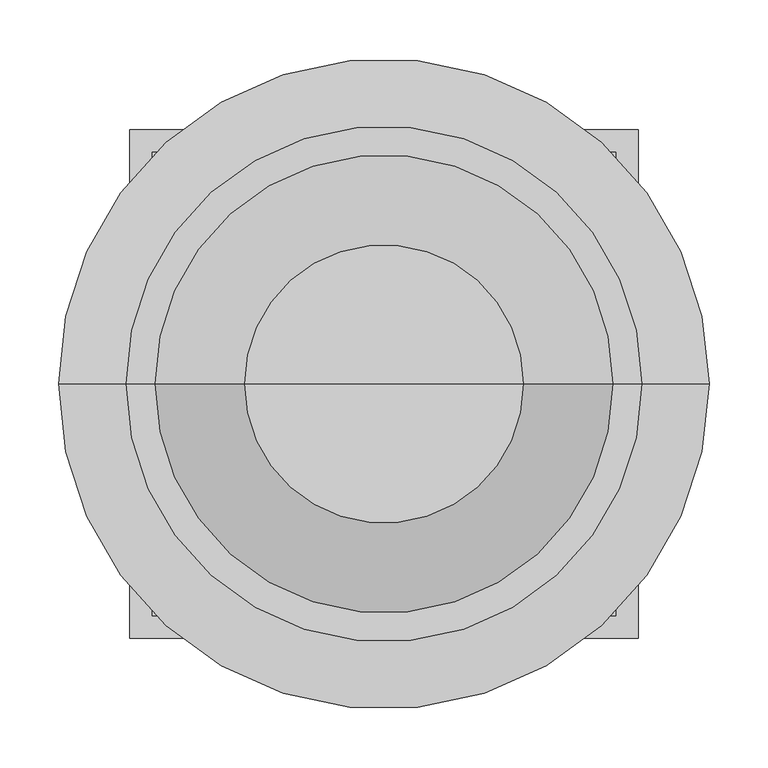
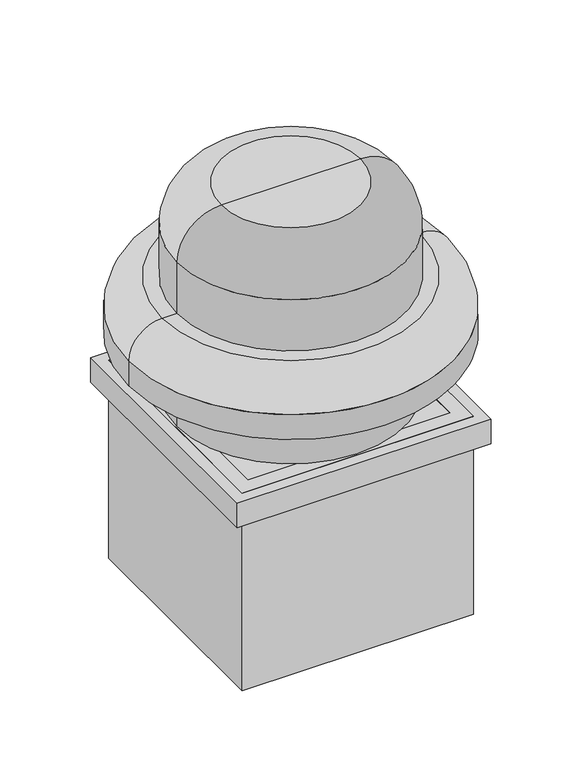
"""IFC4 building model written with IfcOpenShell, lengths in millimetres: proxy geometry."""

from ifc_helpers import new_model, si_unit, point, frame, origin, place, context, project, spatial, polyline, circle_curve, ellipse_curve, trimmed, outline, extrude, faceted_brep, source, transform, mapped, element, save
from ifc_brep_helpers import plane_surface, cylinder_surface, revolved_surface, advanced_brep


def mechanical_equipment_26cb2caf(model_context):
    return source(origin(), model_context, "Body", "SolidModel", [
        extrude(outline(polyline([(-82.6124116, -196.85), (-476.3124116, -196.85), (-476.3124116, 196.85), (-82.6124116, 196.85), (-82.6124116, -196.85)]), holes=[polyline([(-450.9124116, -171.45), (-108.0124116, -171.45), (-108.0124116, 171.45), (-450.9124116, 171.45), (-450.9124116, -171.45)])]), frame((0.0, 0.0, 3.175), z_axis=(0.0, 0.0, 1.0), x_axis=(1.0, 0.0, 0.0)), (0.0, 0.0, 1.0), 355.6),
        advanced_brep(
        [(-279.4624116, 0.0, 561.975), (-60.4667866, 0.0, 561.975), (-498.4580366, 0.0, 561.975), (-555.6874116, 0.0, 460.375), (-3.2374116, 0.0, 460.375), (-279.4624116, 0.0, 460.375), (-555.6874116, 0.0, 504.7456933), (-3.2374116, 0.0, 504.745625)],
        [
            (0, 1),
            (1, 2, circle_curve(frame((-279.4624116, 0.0, 561.975), z_axis=(0.0, 0.0, 1.0), x_axis=(1.0, 0.0, 0.0)), 218.995625)),
            (2, 0),
            (2, 1, circle_curve(frame((-279.4624116, 0.0, 561.975), z_axis=(0.0, 0.0, 1.0), x_axis=(1.0, 0.0, 0.0)), 218.995625)),
            (3, 4, circle_curve(frame((-279.4624116, 0.0, 460.375), z_axis=(0.0, 0.0, -1.0), x_axis=(1.0, 0.0, 0.0)), 276.225)),
            (4, 5),
            (5, 3),
            (4, 3, circle_curve(frame((-279.4624116, 0.0, 460.375), z_axis=(0.0, 0.0, -1.0), x_axis=(1.0, 0.0, 0.0)), 276.225)),
            (3, 6),
            (6, 7, circle_curve(frame((-279.4624116, 0.0, 504.745625), z_axis=(0.0, 0.0, -1.0), x_axis=(1.0, 0.0, 0.0)), 276.225)),
            (7, 4),
            (7, 6, circle_curve(frame((-279.4624116, 0.0, 504.745625), z_axis=(0.0, 0.0, -1.0), x_axis=(1.0, 0.0, 0.0)), 276.225)),
            (6, 2, circle_curve(frame((-498.4580366, 0.0, 504.745625), z_axis=(0.0, 1.0, 0.0), x_axis=(-1.0, 0.0, 0.0)), 57.229375)),
            (1, 7, circle_curve(frame((-60.4667866, 0.0, 504.745625), z_axis=(0.0, 1.0, 0.0), x_axis=(1.0, 0.0, 0.0)), 57.229375)),
        ],
        [
            plane_surface(frame((-279.4624116, 0.0, 561.975), z_axis=(0.0, 0.0, 1.0), x_axis=(1.0, 0.0, 0.0))),
            plane_surface(frame((-279.4624116, 0.0, 460.375), z_axis=(0.0, 0.0, -1.0), x_axis=(1.0, 0.0, 0.0))),
            cylinder_surface(frame((-279.4624116, 0.0, 460.3422007), z_axis=(0.0, 0.0, 1.0), x_axis=(1.0, 0.0, 0.0)), 276.225),
            revolved_surface(trimmed(ellipse_curve(frame((-60.4667866, 0.0, 504.745625), z_axis=(0.0, -1.0, 0.0), x_axis=(1.0, 0.0, 0.0)), 57.229375, 57.229375), [point((-3.2374116, 0.0, 504.745625))], [point((-60.4667866, 0.0, 561.975))], True, "CARTESIAN"), (-279.4624116, 0.0, 541.6638531), (0.0, 0.0, 1.0)),
        ],
        [
            (0, [[1, 2, 3]]),
            (0, [[-1, -3, 4]]),
            (1, [[5, 6, 7]]),
            (1, [[-6, 8, -7]]),
            (2, [[-5, 9, 10, 11]]),
            (2, [[-8, -11, 12, -9]]),
            (3, [[13, -2, 14, -10]]),
            (3, [[-13, -12, -14, -4]]),
        ],
    ),
        faceted_brep([(-63.5624116, -215.9, 358.775), (-495.3624116, -215.9, 358.775), (-495.3624116, -215.9, 314.325), (-63.5624116, -215.9, 314.325), (-63.5624116, 215.9, 358.775), (-63.5624116, 215.9, 314.325), (-495.3624116, 215.9, 314.325), (-495.3624116, 215.9, 358.775), (-65.1499116, -214.3125, 314.325), (-65.1499116, 214.3125, 314.325), (-493.7749116, 214.3125, 314.325), (-493.7749116, -214.3125, 314.325), (-65.1499116, 214.3125, 357.1875), (-65.1499116, -214.3125, 357.1875), (-493.7749116, -214.3125, 357.1875), (-493.7749116, 214.3125, 357.1875)], [[[0, 1, 2, 3]], [[4, 5, 6, 7]], [[1, 0, 4, 7]], [[2, 1, 7, 6]], [[3, 2, 6, 5], [8, 9, 10, 11]], [[0, 3, 5, 4]], [[12, 13, 14, 15]], [[13, 12, 9, 8]], [[14, 13, 8, 11]], [[15, 14, 11, 10]], [[12, 15, 10, 9]]]),
        advanced_brep(
        [(-473.9311616, 0.0, 654.05), (-84.9936616, 0.0, 654.05), (-84.9936616, 0.0, 358.775), (-473.9311616, 0.0, 358.775), (-279.4624116, 0.0, 730.25), (-161.1936616, 0.0, 730.25), (-397.7311616, 0.0, 730.25), (-279.4624116, 0.0, 358.775)],
        [
            (0, 1, circle_curve(frame((-279.4624116, 0.0, 654.05), z_axis=(0.0, 0.0, -1.0), x_axis=(1.0, 0.0, 0.0)), 194.46875)),
            (1, 2),
            (2, 3, circle_curve(frame((-279.4624116, 0.0, 358.775), z_axis=(0.0, 0.0, 1.0), x_axis=(1.0, 0.0, 0.0)), 194.46875)),
            (3, 0),
            (1, 0, circle_curve(frame((-279.4624116, 0.0, 654.05), z_axis=(0.0, 0.0, -1.0), x_axis=(1.0, 0.0, 0.0)), 194.46875)),
            (3, 2, circle_curve(frame((-279.4624116, 0.0, 358.775), z_axis=(0.0, 0.0, 1.0), x_axis=(1.0, 0.0, 0.0)), 194.46875)),
            (4, 5),
            (5, 6, circle_curve(frame((-279.4624116, 0.0, 730.25), z_axis=(0.0, 0.0, 1.0), x_axis=(1.0, 0.0, 0.0)), 118.26875)),
            (6, 4),
            (6, 5, circle_curve(frame((-279.4624116, 0.0, 730.25), z_axis=(0.0, 0.0, 1.0), x_axis=(1.0, 0.0, 0.0)), 118.26875)),
            (2, 7),
            (7, 3),
            (5, 1, circle_curve(frame((-161.1936616, 0.0, 654.05), z_axis=(0.0, 1.0, 0.0), x_axis=(1.0, 0.0, 0.0)), 76.2)),
            (0, 6, circle_curve(frame((-397.7311616, 0.0, 654.05), z_axis=(0.0, 1.0, 0.0), x_axis=(-1.0, 0.0, 0.0)), 76.2)),
        ],
        [
            cylinder_surface(frame((-279.4624116, 0.0, 407.0638052), z_axis=(0.0, 0.0, 1.0), x_axis=(1.0, 0.0, 0.0)), 194.46875),
            plane_surface(frame((-279.4624116, 0.0, 730.25), z_axis=(0.0, 0.0, 1.0), x_axis=(1.0, 0.0, 0.0))),
            plane_surface(frame((-279.4624116, 0.0, 358.775), z_axis=(0.0, 0.0, -1.0), x_axis=(1.0, 0.0, 0.0))),
            revolved_surface(trimmed(ellipse_curve(frame((-161.1936616, 0.0, 654.05), z_axis=(0.0, -1.0, 0.0), x_axis=(1.0, 0.0, 0.0)), 76.2, 76.2), [point((-84.9936616, 0.0, 654.05))], [point((-161.1936616, 0.0, 730.25))], True, "CARTESIAN"), (-279.4624116, 0.0, 407.0638052), (0.0, 0.0, 1.0)),
        ],
        [
            (0, [[1, 2, 3, 4]]),
            (0, [[5, -4, 6, -2]]),
            (1, [[7, 8, 9]]),
            (1, [[-9, 10, -7]]),
            (2, [[-3, 11, 12]]),
            (2, [[-6, -12, -11]]),
            (3, [[-8, 13, -1, 14]]),
            (3, [[-10, -14, -5, -13]]),
        ],
    ),
    ])


if __name__ == "__main__":
    model = new_model("IFC4")
    model_context = context("Model", 3, world=origin())
    ifc_project = project(units=[si_unit("LENGTHUNIT", "METRE", prefix="MILLI")], contexts=[model_context])
    site = spatial("IfcSite", under=ifc_project)
    building = spatial("IfcBuilding", under=site)
    placement = place(None, origin())
    mechanical_equipment_shape = mechanical_equipment_26cb2caf(model_context)
    element("IfcBuildingElementProxy", 1, Name="Mechanical Equipment", at=placement, inside=building, context=model_context, shape_type="MappedRepresentation", body=[
        mapped(mechanical_equipment_shape, transform((0.0, 0.0, 0.0), x_axis=(1.0, 0.0, 0.0), y_axis=(0.0, 1.0, 0.0), z_axis=(0.0, 0.0, 1.0))),
    ])
    save(model, "model.ifc")
